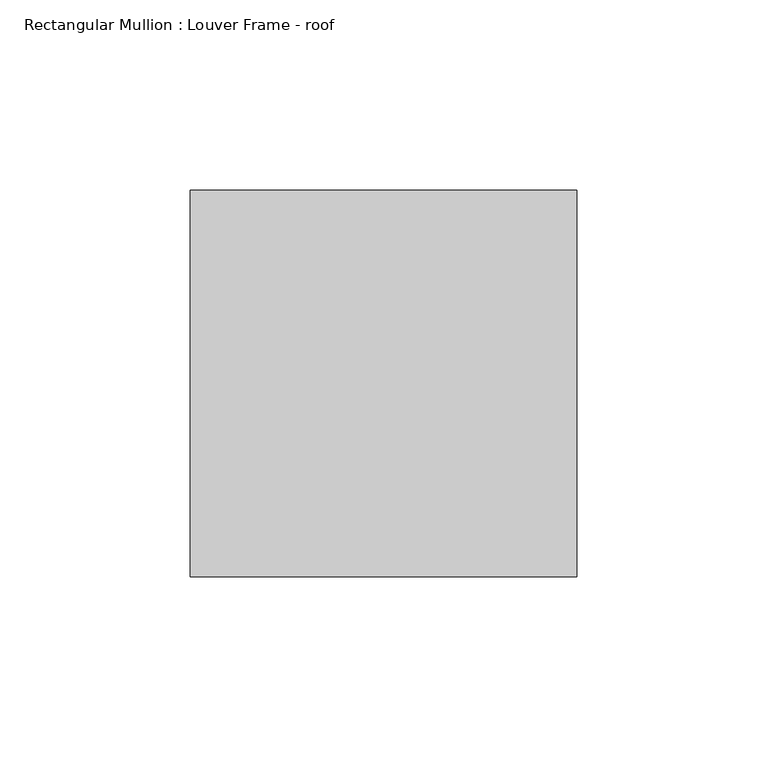
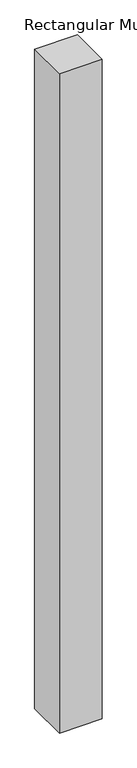
"""IFC4 building model written with IfcOpenShell, lengths in millimetres: member geometry, Rectangular Mullion : Louver Frame - roof."""

import ifcopenshell
import ifcopenshell.guid

model = None  # the IFC model being written
_history = None  # IfcOwnerHistory: only IFC2X3 demands one
_inside = {}  # id of a spatial element -> (the spatial element, [elements in it])
_under = {}  # id of a project, library or spatial element -> (it, [spatial elements below it])
_declared = {}  # id of a project -> (the project, [libraries it declares])
_typed = {}  # id of a type object -> (the type object, [elements of that type])
_made_of = {}  # id of a material, layer set ... -> (it, [elements and type objects made of it])


def new_model(schema):
    """Start an empty IFC model of exactly this schema.

    Asked for "IFC4X3", IfcOpenShell would pick the latest addendum, in which some entities
    have other attributes; the version numbers below select the first issue.
    IFC2X3 requires an IfcOwnerHistory on every rooted entity: one is made here for all.
    """
    global model, _history
    if schema == "IFC4X3":
        model = ifcopenshell.file(schema_version=(4, 3, 0, 0))
    else:
        model = ifcopenshell.file(schema=schema)
    _inside.clear()
    _under.clear()
    _declared.clear()
    _typed.clear()
    _made_of.clear()
    _history = None
    if model.schema == "IFC2X3":
        org = make("IfcOrganization", Name="unknown")
        user = make(
            "IfcPersonAndOrganization",
            ThePerson=make("IfcPerson", FamilyName="unknown"),
            TheOrganization=org,
        )
        app = make(
            "IfcApplication",
            ApplicationDeveloper=org,
            Version="unknown",
            ApplicationFullName="unknown",
            ApplicationIdentifier="unknown",
        )
        _history = make(
            "IfcOwnerHistory",
            OwningUser=user,
            OwningApplication=app,
            ChangeAction="ADDED",
            CreationDate=0,
        )
    return model


def make(cls, **values):
    """One entity of the class cls with the attributes given. An attribute that is None is left unset."""
    return model.create_entity(
        cls, **{name: value for name, value in values.items() if value is not None}
    )


def rooted(cls, **values):
    """An entity with a GlobalId (a new one), such as an element, a storey or a relation."""
    return make(cls, GlobalId=ifcopenshell.guid.new(), OwnerHistory=_history, **values)


def si_unit(unit_type, name, prefix=None):
    """IfcSIUnit, for example si_unit("LENGTHUNIT", "METRE", prefix="MILLI")."""
    return make("IfcSIUnit", UnitType=unit_type, Prefix=prefix, Name=name)


def assignment(units):
    """IfcUnitAssignment: the units of a project."""
    return None if units is None else make("IfcUnitAssignment", Units=units)


def point(xyz):
    """IfcCartesianPoint."""
    return None if xyz is None else make("IfcCartesianPoint", Coordinates=xyz)


def direction(xyz):
    """IfcDirection."""
    return None if xyz is None else make("IfcDirection", DirectionRatios=xyz)


def frame(location, z_axis=None, x_axis=None):
    """IfcAxis2Placement3D, a coordinate frame: its origin and axes. An axis left out is left unset."""
    return make(
        "IfcAxis2Placement3D",
        Location=point(location),
        Axis=direction(z_axis),
        RefDirection=direction(x_axis),
    )


def origin():
    """The frame at (0, 0, 0) with its axes left unset."""
    return frame((0.0, 0.0, 0.0))


def place(relative_to, where):
    """IfcLocalPlacement: puts the frame where relative to a parent placement (None: the world)."""
    return make(
        "IfcLocalPlacement", PlacementRelTo=relative_to, RelativePlacement=where
    )


def context(
    kind, dimensions, precision=None, world=None, true_north=None, identifier=None
):
    """IfcGeometricRepresentationContext, for example the 3D "Model" context."""
    return make(
        "IfcGeometricRepresentationContext",
        ContextIdentifier=identifier,
        ContextType=kind,
        CoordinateSpaceDimension=dimensions,
        Precision=precision,
        WorldCoordinateSystem=world,
        TrueNorth=true_north,
    )


def project(units=None, contexts=None):
    """IfcProject with its units and contexts."""
    return rooted(
        "IfcProject",
        Name="project",
        RepresentationContexts=contexts,
        UnitsInContext=assignment(units),
    )


def spatial(cls, under=None, at=None, **own):
    """A site, building, storey or space (cls), placed at a placement, below another one or the project."""
    s = rooted(cls, ObjectPlacement=at, **own)
    if under is not None:
        _under.setdefault(under.id(), (under, []))[1].append(s)
    return s


def polyline(points):
    """IfcPolyline through the points."""
    return make("IfcPolyline", Points=[point(p) for p in points])


def outline(outer, holes=None, kind="AREA"):
    """IfcArbitraryClosedProfileDef: a profile drawn as a closed curve; with holes, ...WithVoids."""
    if holes is None:
        return make("IfcArbitraryClosedProfileDef", ProfileType=kind, OuterCurve=outer)
    return make(
        "IfcArbitraryProfileDefWithVoids",
        ProfileType=kind,
        OuterCurve=outer,
        InnerCurves=holes,
    )


def extrude(swept, where, along, depth):
    """IfcExtrudedAreaSolid: the profile swept, set in the frame where, extruded along a direction by depth."""
    return make(
        "IfcExtrudedAreaSolid",
        SweptArea=swept,
        Position=where,
        ExtrudedDirection=direction(along),
        Depth=depth,
    )


def shape(context_of_items, identifier, shape_type, items):
    """IfcShapeRepresentation: the items that make up one representation, for example the "Body"."""
    return make(
        "IfcShapeRepresentation",
        ContextOfItems=context_of_items,
        RepresentationIdentifier=identifier,
        RepresentationType=shape_type,
        Items=items,
    )


def source(mapping_origin, context_of_items, identifier, shape_type, items):
    """IfcRepresentationMap: a shape defined once, which mapped items show again and again."""
    return make(
        "IfcRepresentationMap",
        MappingOrigin=mapping_origin,
        MappedRepresentation=shape(context_of_items, identifier, shape_type, items),
    )


def transform(
    local_origin,
    x_axis=None,
    y_axis=None,
    z_axis=None,
    scale=None,
    scale2=None,
    scale3=None,
    uniform=True,
):
    """IfcCartesianTransformationOperator3D, or its non-uniform kind. x_axis, y_axis, z_axis: its Axis1, 2, 3."""
    if uniform:
        return make(
            "IfcCartesianTransformationOperator3D",
            Axis1=direction(x_axis),
            Axis2=direction(y_axis),
            LocalOrigin=point(local_origin),
            Scale=scale,
            Axis3=direction(z_axis),
        )
    return make(
        "IfcCartesianTransformationOperator3DnonUniform",
        Axis1=direction(x_axis),
        Axis2=direction(y_axis),
        LocalOrigin=point(local_origin),
        Scale=scale,
        Axis3=direction(z_axis),
        Scale2=scale2,
        Scale3=scale3,
    )


def mapped(mapping_source, mapping_target):
    """IfcMappedItem: shows the shape of a source again, moved by a transform."""
    return make(
        "IfcMappedItem", MappingSource=mapping_source, MappingTarget=mapping_target
    )


def made_of(thing, what):
    """Note that an element or type object is made of a material, layer set ...; save() writes the relation."""
    if what is not None:
        _made_of.setdefault(what.id(), (what, []))[1].append(thing)
    return thing


def element(
    cls,
    number,
    at=None,
    inside=None,
    cuts=None,
    type_object=None,
    material=None,
    context=None,
    identifier="Body",
    shape_type=None,
    held_by="IfcProductDefinitionShape",
    body=None,
    shapes=None,
    **own,
):
    """One element of the class cls, such as IfcWall. Its Tag is "e" and its number.

    at: its placement. inside: the storey or other place that contains it. cuts: it is an
    opening in that element (IfcRelVoidsElement). A single representation is given by context,
    identifier, shape_type and body (its items); several are given by shapes. held_by: the class
    of the entity that holds the representations. save() writes the other relations.
    """
    e = rooted(cls, Tag="e%d" % number, ObjectPlacement=at, **own)
    if body is not None:
        shapes = [shape(context, identifier, shape_type, body)]
    if shapes is not None:
        e.Representation = make(held_by, Representations=shapes)
    if inside is not None:
        _inside.setdefault(inside.id(), (inside, []))[1].append(e)
    if cuts is not None:
        rooted(
            "IfcRelVoidsElement", RelatingBuildingElement=cuts, RelatedOpeningElement=e
        )
    if type_object is not None:
        _typed.setdefault(type_object.id(), (type_object, []))[1].append(e)
    return made_of(e, material)


def aggregate(whole, parts):
    """IfcRelAggregates: a whole, such as a stair, and the parts it consists of."""
    return rooted("IfcRelAggregates", RelatingObject=whole, RelatedObjects=parts)


def save(model, path):
    """Write the relations noted so far, then the file.

    IfcRelAggregates (storeys below a building ...), IfcRelContainedInSpatialStructure (elements
    in a storey), IfcRelDefinesByType, IfcRelAssociatesMaterial and IfcRelDeclares: one each for
    every whole, place, type object, material and project.
    """
    for whole, parts in _under.values():
        aggregate(whole, parts)
    for where, things in _inside.values():
        rooted(
            "IfcRelContainedInSpatialStructure",
            RelatedElements=things,
            RelatingStructure=where,
        )
    for kind, things in _typed.values():
        rooted("IfcRelDefinesByType", RelatedObjects=things, RelatingType=kind)
    for what, things in _made_of.values():
        rooted("IfcRelAssociatesMaterial", RelatedObjects=things, RelatingMaterial=what)
    for by, libraries in _declared.values():
        rooted("IfcRelDeclares", RelatingContext=by, RelatedDefinitions=libraries)
    model.write(path)


def rectangular_mullion_louver_frame_roof_bf2efae4(model_context):
    return source(origin(), model_context, "Body", "SweptSolid", [
        extrude(outline(polyline([(0.0, 127.0), (0.0, 25.4), (-101.6, 25.4), (-101.6, 127.0), (0.0, 127.0)])), frame((0.0, 0.0, -1660.5947001), z_axis=(0.0, 0.0, 1.0), x_axis=(1.0, 0.0, 0.0)), (0.0, 0.0, 1.0), 1660.5947001),
    ])


if __name__ == "__main__":
    model = new_model("IFC4")
    model_context = context("Model", 3, world=origin())
    ifc_project = project(units=[si_unit("LENGTHUNIT", "METRE", prefix="MILLI")], contexts=[model_context])
    site = spatial("IfcSite", under=ifc_project)
    building = spatial("IfcBuilding", under=site)
    placement = place(None, origin())
    rectangular_mullion_louver_frame_roof_shape = rectangular_mullion_louver_frame_roof_bf2efae4(model_context)
    element("IfcMember", 1, ObjectType="Rectangular Mullion : Louver Frame - roof", at=placement, inside=building, context=model_context, shape_type="MappedRepresentation", body=[
        mapped(rectangular_mullion_louver_frame_roof_shape, transform((0.0, 0.0, 0.0), x_axis=(1.0, 0.0, 0.0), y_axis=(0.0, 1.0, 0.0), z_axis=(0.0, 0.0, 1.0))),
    ])
    save(model, "model.ifc")
